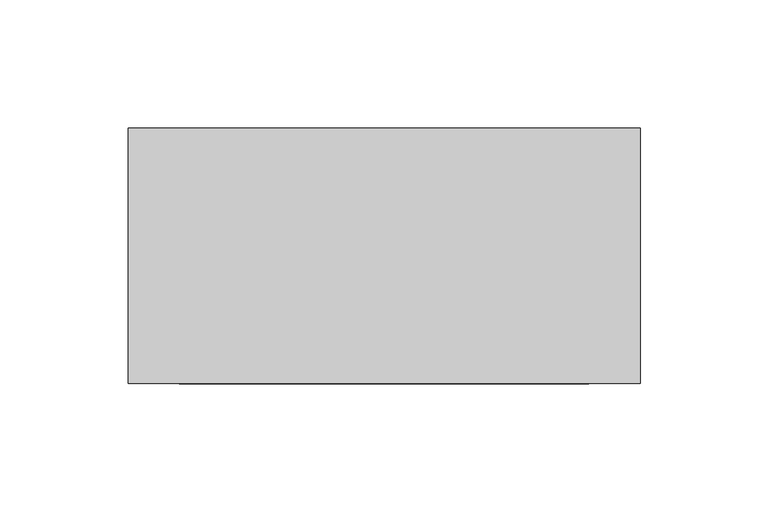
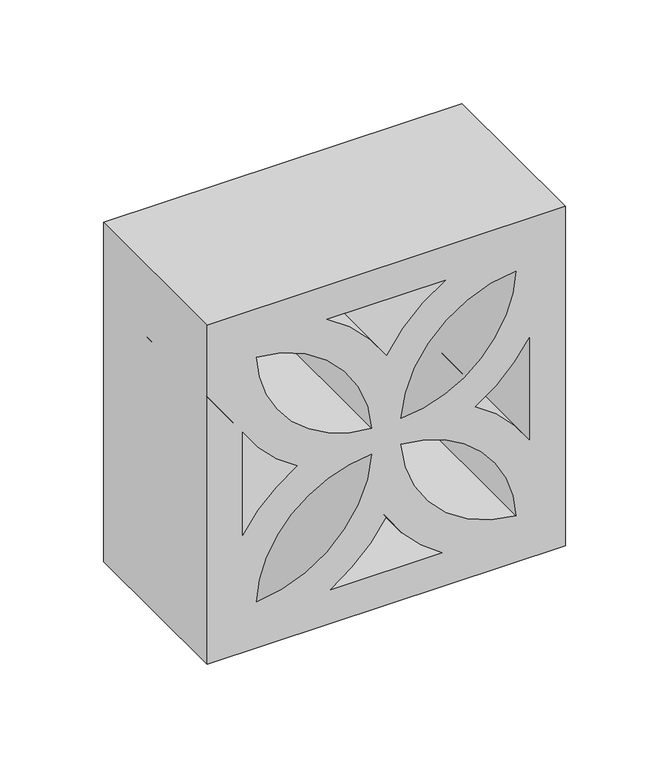
"""IFC4 building model written with IfcOpenShell, lengths in millimetres: plate geometry."""

from ifc_helpers import new_model, si_unit, point, frame, frame_2d, origin, place, context, project, spatial, polyline, circle_curve, trimmed, segment, composite_curve, outline, extrude, source, transform, mapped, element, save


def plate_c77a96b2(model_context):
    return source(origin(), model_context, "Body", "SweptSolid", [
        extrude(outline(polyline([(200.0, -100.0), (0.0, -100.0), (0.0, 100.0), (200.0, 100.0), (200.0, -100.0)]), holes=[composite_curve([segment(polyline([(180.0, -32.9740663), (180.0, 33.1210066)]), True, "CONTINUOUS"), segment(trimmed(circle_curve(frame_2d((102.6647572, 77.2047386)), 89.0174994), [point((180.0, 33.1210066))], [point((147.1044087, 0.0734701))], False, "CARTESIAN"), True, "CONTINUOUS"), segment(trimmed(circle_curve(frame_2d((102.6647572, -77.0577984)), 89.0174994), [point((147.1044087, 0.0734701))], [point((180.0, -32.9740663))], False, "CARTESIAN"), True, "CONTINUOUS")], self_intersect=False), composite_curve([segment(trimmed(circle_curve(frame_2d((102.6647572, -77.0577984)), 69.0174994), [point((171.5165252, -72.2777064))], [point((107.1007055, -8.1830019))], True, "CARTESIAN"), True, "CONTINUOUS"), segment(trimmed(circle_curve(frame_2d((174.6526928, -4.7092024)), 67.6412468), [point((107.1007055, -8.1830019))], [point((171.5165252, -72.2777064))], True, "CARTESIAN"), True, "CONTINUOUS")], self_intersect=False), composite_curve([segment(trimmed(circle_curve(frame_2d((24.2491831, -4.7092024)), 87.6412468), [point((99.4509379, -49.7168041))], [point((69.1076711, -80.0))], False, "CARTESIAN"), True, "CONTINUOUS"), segment(polyline([(69.1076711, -80.0), (129.7942048, -80.0)]), True, "CONTINUOUS"), segment(trimmed(circle_curve(frame_2d((174.6526928, -4.7092024)), 87.6412468), [point((129.7942048, -80.0))], [point((99.4509379, -49.7168041))], False, "CARTESIAN"), True, "CONTINUOUS")], self_intersect=False), composite_curve([segment(trimmed(circle_curve(frame_2d((24.2491831, -4.7092024)), 67.6412468), [point((27.3853507, -72.2777064))], [point((91.8011704, -8.1830019))], True, "CARTESIAN"), True, "CONTINUOUS"), segment(trimmed(circle_curve(frame_2d((96.2371187, -77.0577984)), 69.0174994), [point((91.8011704, -8.1830019))], [point((27.3853507, -72.2777064))], True, "CARTESIAN"), True, "CONTINUOUS")], self_intersect=False), composite_curve([segment(trimmed(circle_curve(frame_2d((24.2491831, 4.8561427)), 67.6412468), [point((91.8011704, 8.3299421))], [point((27.3853507, 72.4246466))], True, "CARTESIAN"), True, "CONTINUOUS"), segment(trimmed(circle_curve(frame_2d((96.2371187, 77.2047386)), 69.0174994), [point((27.3853507, 72.4246466))], [point((91.8011704, 8.3299421))], True, "CARTESIAN"), True, "CONTINUOUS")], self_intersect=False), composite_curve([segment(trimmed(circle_curve(frame_2d((102.6647572, 77.2047386)), 69.0174994), [point((107.1007055, 8.3299421))], [point((171.5165252, 72.4246466))], True, "CARTESIAN"), True, "CONTINUOUS"), segment(trimmed(circle_curve(frame_2d((174.6526928, 4.8561427)), 67.6412468), [point((171.5165252, 72.4246466))], [point((107.1007055, 8.3299421))], True, "CARTESIAN"), True, "CONTINUOUS")], self_intersect=False), composite_curve([segment(polyline([(129.5484929, 80.0), (69.353383, 80.0)]), True, "CONTINUOUS"), segment(trimmed(circle_curve(frame_2d((24.2491831, 4.8561427)), 87.6412468), [point((69.353383, 80.0))], [point((99.4509379, 49.8637444))], False, "CARTESIAN"), True, "CONTINUOUS"), segment(trimmed(circle_curve(frame_2d((174.6526928, 4.8561427)), 87.6412468), [point((99.4509379, 49.8637444))], [point((129.5484929, 80.0))], False, "CARTESIAN"), True, "CONTINUOUS")], self_intersect=False), composite_curve([segment(polyline([(20.0, 31.2480531), (20.0, -31.1011128)]), True, "CONTINUOUS"), segment(trimmed(circle_curve(frame_2d((96.2371187, -77.0577984)), 89.0174994), [point((20.0, -31.1011128))], [point((51.7974671, 0.0734701))], False, "CARTESIAN"), True, "CONTINUOUS"), segment(trimmed(circle_curve(frame_2d((96.2371187, 77.2047386)), 89.0174994), [point((51.7974671, 0.0734701))], [point((20.0, 31.2480531))], False, "CARTESIAN"), True, "CONTINUOUS")], self_intersect=False)]), frame((0.0, -100.0, 0.0), z_axis=(0.0, 1.0, 0.0), x_axis=(0.0, 0.0, 1.0)), (0.0, 0.0, 1.0), 100.0),
    ])


if __name__ == "__main__":
    model = new_model("IFC4")
    model_context = context("Model", 3, world=origin())
    ifc_project = project(units=[si_unit("LENGTHUNIT", "METRE", prefix="MILLI")], contexts=[model_context])
    site = spatial("IfcSite", under=ifc_project)
    building = spatial("IfcBuilding", under=site)
    placement = place(None, origin())
    plate_shape = plate_c77a96b2(model_context)
    element("IfcPlate", 1, at=placement, inside=building, context=model_context, shape_type="MappedRepresentation", body=[
        mapped(plate_shape, transform((0.0, 0.0, 0.0), x_axis=(1.0, 0.0, 0.0), y_axis=(0.0, 1.0, 0.0), z_axis=(0.0, 0.0, 1.0))),
    ])
    save(model, "model.ifc")
